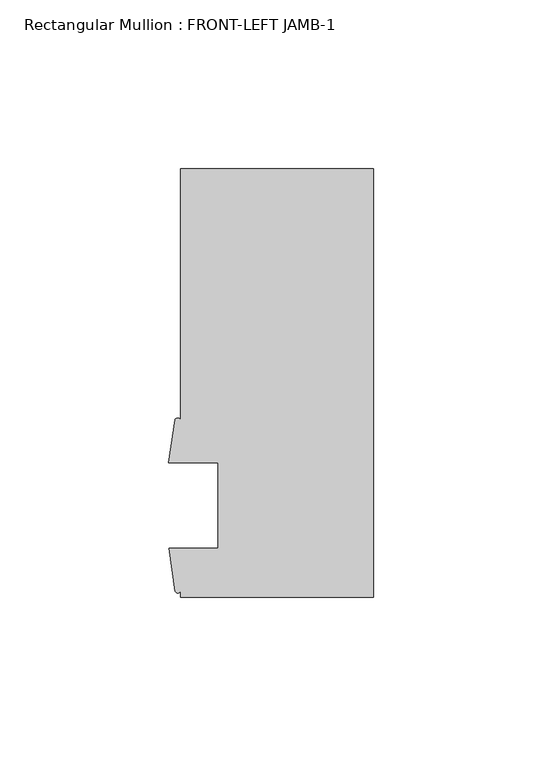
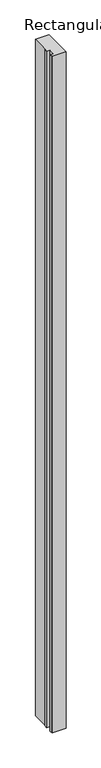
"""IFC4 building model written with IfcOpenShell, lengths in millimetres: member geometry, Rectangular Mullion : FRONT-LEFT JAMB-1."""

from ifc_helpers import new_model, si_unit, point, frame, frame_2d, origin, place, context, project, spatial, polyline, circle_curve, trimmed, segment, composite_curve, outline, extrude, source, transform, mapped, element, save


def rectangular_mullion_front_left_jamb_1_8731dfa7(model_context):
    return source(origin(), model_context, "Body", "SweptSolid", [
        extrude(outline(composite_curve([segment(polyline([(0.0, 112.5140625), (0.0, -14.4859375), (-57.15, -14.4859375), (-57.15, -12.7108468)]), True, "CONTINUOUS"), segment(trimmed(circle_curve(frame_2d((-57.945985, -12.319682)), 0.8869058), [point((-57.15, -12.7108468))], [point((-58.7419699, -12.7108468))], False, "CARTESIAN"), True, "CONTINUOUS"), segment(polyline([(-58.7419699, -12.7108468), (-60.546, 0.0175875), (-46.0375, 0.0175875), (-46.0375, 25.4175875), (-60.6695217, 25.4175875), (-58.8134044, 38.1906403)]), True, "CONTINUOUS"), segment(trimmed(circle_curve(frame_2d((-57.9817022, 37.673899)), 0.9791578), [point((-58.8134044, 38.1906403))], [point((-57.15, 38.1906403))], False, "CARTESIAN"), True, "CONTINUOUS"), segment(polyline([(-57.15, 38.1906403), (-57.15, 112.5140625), (0.0, 112.5140625)]), True, "CONTINUOUS")], self_intersect=False)), frame((0.0, 0.0, -3048.0), z_axis=(0.0, 0.0, 1.0), x_axis=(1.0, 0.0, 0.0)), (0.0, 0.0, 1.0), 3048.0),
    ])


if __name__ == "__main__":
    model = new_model("IFC4")
    model_context = context("Model", 3, world=origin())
    ifc_project = project(units=[si_unit("LENGTHUNIT", "METRE", prefix="MILLI")], contexts=[model_context])
    site = spatial("IfcSite", under=ifc_project)
    building = spatial("IfcBuilding", under=site)
    placement = place(None, origin())
    rectangular_mullion_front_left_jamb_1_shape = rectangular_mullion_front_left_jamb_1_8731dfa7(model_context)
    element("IfcMember", 1, ObjectType="Rectangular Mullion : FRONT-LEFT JAMB-1", at=placement, inside=building, context=model_context, shape_type="MappedRepresentation", body=[
        mapped(rectangular_mullion_front_left_jamb_1_shape, transform((0.0, 0.0, 0.0), x_axis=(1.0, 0.0, 0.0), y_axis=(0.0, 1.0, 0.0), z_axis=(0.0, 0.0, 1.0))),
    ])
    save(model, "model.ifc")
